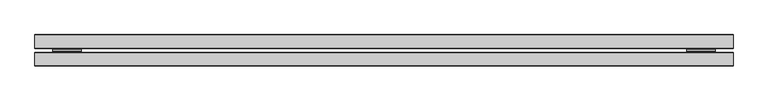
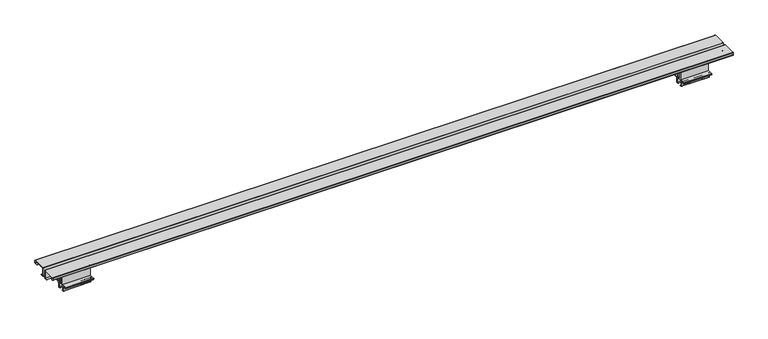
"""IFC4 building model written with IfcOpenShell, lengths in millimetres: furniture geometry."""

from ifc_helpers import new_model, si_unit, point, frame, frame_2d, origin, place, context, project, spatial, polyline, circle_curve, trimmed, segment, composite_curve, outline, extrude, source, transform, mapped, element, save
from ifc_brep_helpers import plane_surface, cylinder_surface, revolved_surface, advanced_brep


def furniture_e6be7e41(model_context):
    return source(origin(), model_context, "Body", "SolidModel", [
        extrude(outline(composite_curve([segment(polyline([(-46.1411741, 538.3021989), (-52.5216442, 538.3021989), (-52.5216442, 539.0895989), (-46.1411741, 539.0895989)]), True, "CONTINUOUS"), segment(trimmed(circle_curve(frame_2d((-46.1411741, 537.4436715)), 1.6459275), [point((-46.1411741, 539.0895989))], [point((-44.4952466, 537.4436715))], False, "CARTESIAN"), True, "CONTINUOUS"), segment(polyline([(-44.4952466, 537.4436715), (-44.4952466, 533.2176187), (-42.3108667, 528.4931667), (-42.3108667, 512.3434001), (-35.9226813, 512.3434001), (-35.9226813, 528.4931667), (-33.7383014, 533.2176187), (-33.7383014, 537.4436715)]), True, "CONTINUOUS"), segment(trimmed(circle_curve(frame_2d((-32.0923739, 537.4436715)), 1.6459275), [point((-33.7383014, 537.4436715))], [point((-32.0923739, 539.0895989))], False, "CARTESIAN"), True, "CONTINUOUS"), segment(polyline([(-32.0923739, 539.0895989), (-25.7119037, 539.0895989), (-25.7119037, 538.3021989), (-32.0923739, 538.3021989)]), True, "CONTINUOUS"), segment(trimmed(circle_curve(frame_2d((-32.0923739, 537.4436715)), 0.8585275), [point((-32.0923739, 538.3021989))], [point((-32.9509014, 537.4436715))], True, "CARTESIAN"), True, "CONTINUOUS"), segment(polyline([(-32.9509014, 537.4436715), (-32.9509014, 511.3273965), (-45.2826466, 511.3273965), (-45.2826466, 537.4436715)]), True, "CONTINUOUS"), segment(trimmed(circle_curve(frame_2d((-46.1411741, 537.4436715)), 0.8585275), [point((-45.2826466, 537.4436715))], [point((-46.1411741, 538.3021989))], True, "CARTESIAN"), True, "CONTINUOUS")], self_intersect=False)), frame((1565.1479964, 0.0, 0.0), z_axis=(1.0, 0.0, 0.0), x_axis=(0.0, 1.0, 0.0)), (0.0, 0.0, 1.0), 68.5800073),
        advanced_brep(
        [(1633.7280036, -43.8856479, 496.239798), (1633.7280036, -43.8856479, 497.027198), (1633.7280036, -47.4162484, 497.027198), (1633.7280036, -47.4162484, 505.0211433), (1633.7280036, -48.2566383, 506.4767378), (1633.7280036, -49.1307467, 506.9814021), (1633.7280036, -49.1307467, 508.9672048), (1633.7280036, -50.5257409, 510.3621989), (1633.7280036, -56.9931108, 510.3621989), (1633.7280036, -57.8998062, 509.5458068), (1633.7280036, -58.5922468, 510.5347145), (1633.7280036, -58.5922468, 511.3273965), (1633.7280036, -19.6540457, 511.3273965), (1633.7280036, -19.6540457, 510.5165135), (1633.7280036, -20.3337418, 509.5458068), (1633.7280036, -21.2404371, 510.3621989), (1633.7280036, -27.8273525, 510.3621989), (1633.7280036, -29.1155469, 509.0740045), (1633.7280036, -29.1155469, 506.9814021), (1633.7280036, -30.0322406, 506.4521513), (1633.7280036, -30.8300452, 505.0703165), (1633.7280036, -30.8300452, 497.027198), (1633.7280036, -34.3606457, 497.027198), (1633.7280036, -34.3606457, 496.239798), (1633.7280036, -30.560857, 496.239798), (1633.7280036, -30.0426452, 496.7580098), (1633.7280036, -30.0426452, 505.0703165), (1633.7280036, -29.6385421, 505.770242), (1633.7280036, -28.7038003, 506.3099128), (1633.7280036, -28.3281469, 506.9605621), (1633.7280036, -28.3281469, 509.0740045), (1633.7280036, -27.8273525, 509.5747989), (1633.7280036, -21.5426917, 509.5747989), (1633.7280036, -20.7678586, 508.8771361), (1633.7280036, -19.8407122, 508.8771361), (1633.7280036, -18.8666457, 510.2682472), (1633.7280036, -18.8666457, 511.6155121), (1633.7280036, -19.36593, 512.1147965), (1633.7280036, -58.8676179, 512.1147965), (1633.7280036, -59.3796468, 511.6027676), (1633.7280036, -59.3796468, 510.2864482), (1633.7280036, -58.3928358, 508.8771361), (1633.7280036, -57.4656894, 508.8771361), (1633.7280036, -56.6908563, 509.5747989), (1633.7280036, -50.5257409, 509.5747989), (1633.7280036, -49.9181467, 508.9672048), (1633.7280036, -49.9181467, 506.9991546), (1633.7280036, -49.5090711, 506.2906166), (1633.7280036, -48.6503368, 505.7948285), (1633.7280036, -48.2036484, 505.0211433), (1633.7280036, -48.2036484, 496.6207976), (1633.7280036, -47.672691, 496.239798), (1565.1479964, -43.8856479, 496.239798), (1565.1479964, -47.672691, 496.239798), (1565.1479964, -48.1909027, 496.7580098), (1565.1479964, -48.2036484, 505.0211433), (1565.1479964, -48.6503368, 505.7948285), (1565.1479964, -49.5090711, 506.2906166), (1565.1479964, -49.9181467, 506.9991546), (1565.1479964, -49.9181467, 508.9672048), (1565.1479964, -50.5257409, 509.5747989), (1565.1479964, -56.6908563, 509.5747989), (1565.1479964, -57.4656894, 508.8771361), (1565.1479964, -58.3928358, 508.8771361), (1565.1479964, -59.3796468, 510.2864482), (1565.1479964, -59.3796468, 511.6027676), (1565.1479964, -58.8676179, 512.1147965), (1565.1479964, -19.36593, 512.1147965), (1565.1479964, -18.8666457, 511.6155121), (1565.1479964, -18.8666457, 510.2682472), (1565.1479964, -19.8407122, 508.8771361), (1565.1479964, -20.7678586, 508.8771361), (1565.1479964, -21.5426917, 509.5747989), (1565.1479964, -27.8273525, 509.5747989), (1565.1479964, -28.3281469, 509.0740045), (1565.1479964, -28.3281469, 506.9605621), (1565.1479964, -28.7038003, 506.3099128), (1565.1479964, -29.6385421, 505.770242), (1565.1479964, -30.0426452, 505.0703165), (1565.1479964, -30.0426452, 496.7580098), (1565.1479964, -30.560857, 496.239798), (1565.1479964, -34.3606457, 496.239798), (1565.1479964, -34.3606457, 497.027198), (1565.1479964, -30.8300452, 497.027198), (1565.1479964, -30.8300452, 505.0703165), (1565.1479964, -30.0322406, 506.4521513), (1565.1479964, -29.1155469, 506.9814021), (1565.1479964, -29.1155469, 509.0740045), (1565.1479964, -27.8273525, 510.3621989), (1565.1479964, -21.2404371, 510.3621989), (1565.1479964, -20.3337418, 509.5458068), (1565.1479964, -19.6540457, 510.5165135), (1565.1479964, -19.6540457, 511.3273965), (1565.1479964, -58.5922468, 511.3273965), (1565.1479964, -58.5922468, 510.5347145), (1565.1479964, -57.8998062, 509.5458068), (1565.1479964, -56.9931108, 510.3621989), (1565.1479964, -50.5257409, 510.3621989), (1565.1479964, -49.1307467, 508.9672048), (1565.1479964, -49.1307467, 506.9814021), (1565.1479964, -48.2566383, 506.4767378), (1565.1479964, -47.4162484, 505.0211433), (1565.1479964, -47.4162484, 497.027198), (1565.1479964, -43.8856479, 497.027198)],
        [
            (0, 1),
            (1, 2),
            (2, 3),
            (3, 4, circle_curve(frame((1633.7280036, -49.097022, 505.0211433), z_axis=(1.0, 0.0, 0.0), x_axis=(0.0, 1.0, 0.0)), 1.6807736)),
            (4, 5),
            (5, 6),
            (6, 7, circle_curve(frame((1633.7280036, -50.5257409, 508.9672048), z_axis=(1.0, 0.0, 0.0), x_axis=(0.0, 1.0, 0.0)), 1.3949941)),
            (7, 8),
            (8, 9),
            (9, 10),
            (10, 11),
            (11, 12),
            (12, 13),
            (13, 14),
            (14, 15),
            (15, 16),
            (16, 17, circle_curve(frame((1633.7280036, -27.8273525, 509.0740045), z_axis=(1.0, 0.0, 0.0), x_axis=(0.0, 1.0, 0.0)), 1.2881944)),
            (17, 18),
            (18, 19),
            (19, 20, circle_curve(frame((1633.7280036, -29.2344419, 505.0703165), z_axis=(1.0, 0.0, 0.0), x_axis=(0.0, 1.0, 0.0)), 1.5956034)),
            (20, 21),
            (21, 22),
            (22, 23),
            (23, 24),
            (24, 25, circle_curve(frame((1633.7280036, -30.560857, 496.7580098), z_axis=(1.0, 0.0, 0.0), x_axis=(0.0, 1.0, 0.0)), 0.5182118)),
            (25, 26),
            (26, 27, circle_curve(frame((1633.7280036, -29.2344419, 505.0703165), z_axis=(-1.0, 0.0, 0.0), x_axis=(0.0, 1.0, 0.0)), 0.8082034)),
            (27, 28),
            (28, 29, circle_curve(frame((1633.7280036, -29.079451, 506.9605621), z_axis=(1.0, 0.0, 0.0), x_axis=(0.0, 1.0, 0.0)), 0.7513042)),
            (29, 30),
            (30, 31, circle_curve(frame((1633.7280036, -27.8273525, 509.0740045), z_axis=(-1.0, 0.0, 0.0), x_axis=(0.0, 1.0, 0.0)), 0.5007944)),
            (31, 32),
            (32, 33),
            (33, 34),
            (34, 35),
            (35, 36),
            (36, 37, circle_curve(frame((1633.7280036, -19.36593, 511.6155121), z_axis=(1.0, 0.0, 0.0), x_axis=(0.0, 1.0, 0.0)), 0.4992844)),
            (37, 38),
            (38, 39, circle_curve(frame((1633.7280036, -58.8676179, 511.6027676), z_axis=(1.0, 0.0, 0.0), x_axis=(0.0, 1.0, 0.0)), 0.5120288)),
            (39, 40),
            (40, 41),
            (41, 42),
            (42, 43),
            (43, 44),
            (44, 45, circle_curve(frame((1633.7280036, -50.5257409, 508.9672048), z_axis=(-1.0, 0.0, 0.0), x_axis=(0.0, 1.0, 0.0)), 0.6075941)),
            (45, 46),
            (46, 47, circle_curve(frame((1633.7280036, -49.0999985, 506.9991546), z_axis=(1.0, 0.0, 0.0), x_axis=(0.0, 1.0, 0.0)), 0.8181482)),
            (47, 48),
            (48, 49, circle_curve(frame((1633.7280036, -49.097022, 505.0211433), z_axis=(-1.0, 0.0, 0.0), x_axis=(0.0, 1.0, 0.0)), 0.8933736)),
            (49, 50),
            (50, 51, circle_curve(frame((1633.7280036, -47.672691, 496.7580098), z_axis=(1.0, 0.0, 0.0), x_axis=(0.0, 1.0, 0.0)), 0.5182118)),
            (51, 0),
            (52, 53),
            (53, 54, circle_curve(frame((1565.1479964, -47.672691, 496.7580098), z_axis=(-1.0, 0.0, 0.0), x_axis=(0.0, 1.0, 0.0)), 0.5182118)),
            (54, 55),
            (55, 56, circle_curve(frame((1565.1479964, -49.097022, 505.0211433), z_axis=(1.0, 0.0, 0.0), x_axis=(0.0, 1.0, 0.0)), 0.8933736)),
            (56, 57),
            (57, 58, circle_curve(frame((1565.1479964, -49.0999985, 506.9991546), z_axis=(-1.0, 0.0, 0.0), x_axis=(0.0, 1.0, 0.0)), 0.8181482)),
            (58, 59),
            (59, 60, circle_curve(frame((1565.1479964, -50.5257409, 508.9672048), z_axis=(1.0, 0.0, 0.0), x_axis=(0.0, 1.0, 0.0)), 0.6075941)),
            (60, 61),
            (61, 62),
            (62, 63),
            (63, 64),
            (64, 65),
            (65, 66, circle_curve(frame((1565.1479964, -58.8676179, 511.6027676), z_axis=(-1.0, 0.0, 0.0), x_axis=(0.0, 1.0, 0.0)), 0.5120288)),
            (66, 67),
            (67, 68, circle_curve(frame((1565.1479964, -19.36593, 511.6155121), z_axis=(-1.0, 0.0, 0.0), x_axis=(0.0, 1.0, 0.0)), 0.4992844)),
            (68, 69),
            (69, 70),
            (70, 71),
            (71, 72),
            (72, 73),
            (73, 74, circle_curve(frame((1565.1479964, -27.8273525, 509.0740045), z_axis=(1.0, 0.0, 0.0), x_axis=(0.0, 1.0, 0.0)), 0.5007944)),
            (74, 75),
            (75, 76, circle_curve(frame((1565.1479964, -29.079451, 506.9605621), z_axis=(-1.0, 0.0, 0.0), x_axis=(0.0, 1.0, 0.0)), 0.7513042)),
            (76, 77),
            (77, 78, circle_curve(frame((1565.1479964, -29.2344419, 505.0703165), z_axis=(1.0, 0.0, 0.0), x_axis=(0.0, 1.0, 0.0)), 0.8082034)),
            (78, 79),
            (79, 80, circle_curve(frame((1565.1479964, -30.560857, 496.7580098), z_axis=(-1.0, 0.0, 0.0), x_axis=(0.0, 1.0, 0.0)), 0.5182118)),
            (80, 81),
            (81, 82),
            (82, 83),
            (83, 84),
            (84, 85, circle_curve(frame((1565.1479964, -29.2344419, 505.0703165), z_axis=(-1.0, 0.0, 0.0), x_axis=(0.0, 1.0, 0.0)), 1.5956034)),
            (85, 86),
            (86, 87),
            (87, 88, circle_curve(frame((1565.1479964, -27.8273525, 509.0740045), z_axis=(-1.0, 0.0, 0.0), x_axis=(0.0, 1.0, 0.0)), 1.2881944)),
            (88, 89),
            (89, 90),
            (90, 91),
            (91, 92),
            (92, 93),
            (93, 94),
            (94, 95),
            (95, 96),
            (96, 97),
            (97, 98, circle_curve(frame((1565.1479964, -50.5257409, 508.9672048), z_axis=(-1.0, 0.0, 0.0), x_axis=(0.0, 1.0, 0.0)), 1.3949941)),
            (98, 99),
            (99, 100),
            (100, 101, circle_curve(frame((1565.1479964, -49.097022, 505.0211433), z_axis=(-1.0, 0.0, 0.0), x_axis=(0.0, 1.0, 0.0)), 1.6807736)),
            (101, 102),
            (102, 103),
            (103, 52),
            (51, 53),
            (52, 0),
            (50, 54),
            (49, 55),
            (48, 56),
            (47, 57),
            (46, 58),
            (45, 59),
            (44, 60),
            (43, 61),
            (42, 62),
            (41, 63),
            (40, 64),
            (39, 65),
            (38, 66),
            (37, 67),
            (36, 68),
            (35, 69),
            (34, 70),
            (33, 71),
            (32, 72),
            (31, 73),
            (30, 74),
            (29, 75),
            (28, 76),
            (27, 77),
            (26, 78),
            (25, 79),
            (24, 80),
            (23, 81),
            (22, 82),
            (21, 83),
            (20, 84),
            (19, 85),
            (18, 86),
            (17, 87),
            (16, 88),
            (15, 89),
            (14, 90),
            (13, 91),
            (12, 92),
            (11, 93),
            (10, 94),
            (9, 95),
            (8, 96),
            (7, 97),
            (6, 98),
            (5, 99),
            (4, 100),
            (3, 101),
            (2, 102),
            (1, 103),
        ],
        [
            plane_surface(frame((1633.7280036, -39.1358447, 473.81159), z_axis=(1.0, 0.0, 0.0), x_axis=(0.0, 0.0, 1.0))),
            plane_surface(frame((1565.1479964, -39.1358447, 473.81159), z_axis=(-1.0, 0.0, 0.0), x_axis=(0.0, 0.0, 1.0))),
            plane_surface(frame((1633.7280036, -43.8856479, 496.239798), z_axis=(0.0, 0.0, -1.0), x_axis=(-1.0, 0.0, 0.0))),
            cylinder_surface(frame((1633.7280036, -47.672691, 496.7580098), z_axis=(1.0, 0.0, 0.0), x_axis=(0.0, 1.0, 0.0)), 0.5182118),
            plane_surface(frame((1633.7280036, -48.2036484, 496.6207976), z_axis=(0.0, -1.0, 0.0), x_axis=(-1.0, 0.0, 0.0))),
            revolved_surface(polyline([(1565.1479964, -48.203648400000006, 505.0211433), (1633.7280036, -48.203648400000006, 505.0211433)]), (1633.7280036, -49.097022, 505.0211433), (-1.0, 0.0, 0.0)),
            plane_surface(frame((1633.7280036, -48.6503368, 505.7948285), z_axis=(0.0, -0.49999817066287033, -0.8660264599501468), x_axis=(-1.0, 0.0, 0.0))),
            cylinder_surface(frame((1633.7280036, -49.0999985, 506.9991546), z_axis=(1.0, 0.0, 0.0), x_axis=(0.0, 1.0, 0.0)), 0.8181482),
            plane_surface(frame((1633.7280036, -49.9181467, 506.9991546), z_axis=(0.0, -1.0, 0.0), x_axis=(-1.0, 0.0, 0.0))),
            revolved_surface(polyline([(1565.1479964, -49.9181468, 508.9672048), (1633.7280036, -49.9181468, 508.9672048)]), (1633.7280036, -50.5257409, 508.9672048), (-1.0, 0.0, 0.0)),
            plane_surface(frame((1633.7280036, -50.5257409, 509.5747989), z_axis=(0.0, 0.0, -1.0), x_axis=(-1.0, 0.0, 0.0))),
            plane_surface(frame((1633.7280036, -56.6908563, 509.5747989), z_axis=(0.0, 0.6691306063588597, -0.743144825477393), x_axis=(-1.0, 0.0, 0.0))),
            plane_surface(frame((1633.7280036, -57.4656894, 508.8771361), z_axis=(0.0, 0.0, -1.0), x_axis=(-1.0, 0.0, 0.0))),
            plane_surface(frame((1633.7280036, -58.3928358, 508.8771361), z_axis=(0.0, -0.8191520442889919, -0.5735764363510462), x_axis=(-1.0, 0.0, 0.0))),
            plane_surface(frame((1633.7280036, -59.3796468, 510.2864482), z_axis=(0.0, -1.0, 0.0), x_axis=(-1.0, 0.0, 0.0))),
            cylinder_surface(frame((1633.7280036, -58.8676179, 511.6027676), z_axis=(1.0, 0.0, 0.0), x_axis=(0.0, 1.0, 0.0)), 0.5120288),
            plane_surface(frame((1633.7280036, -58.8676179, 512.1147965), z_axis=(0.0, 0.0, 1.0), x_axis=(-1.0, 0.0, 0.0))),
            cylinder_surface(frame((1633.7280036, -19.36593, 511.6155121), z_axis=(1.0, 0.0, 0.0), x_axis=(0.0, 1.0, 0.0)), 0.4992844),
            plane_surface(frame((1633.7280036, -18.8666457, 511.6155121), z_axis=(0.0, 1.0, 0.0), x_axis=(-1.0, 0.0, 0.0))),
            plane_surface(frame((1633.7280036, -18.8666457, 510.2682472), z_axis=(0.0, 0.8191520442889919, -0.5735764363510462), x_axis=(-1.0, 0.0, 0.0))),
            plane_surface(frame((1633.7280036, -19.8407122, 508.8771361), z_axis=(0.0, 0.0, -1.0), x_axis=(-1.0, 0.0, 0.0))),
            plane_surface(frame((1633.7280036, -20.7678586, 508.8771361), z_axis=(0.0, -0.6691306063588597, -0.743144825477393), x_axis=(-1.0, 0.0, 0.0))),
            plane_surface(frame((1633.7280036, -21.5426917, 509.5747989), z_axis=(0.0, 0.0, -1.0), x_axis=(-1.0, 0.0, 0.0))),
            revolved_surface(polyline([(1565.1479964, -27.3265581, 509.0740045), (1633.7280036, -27.3265581, 509.0740045)]), (1633.7280036, -27.8273525, 509.0740045), (-1.0, 0.0, 0.0)),
            plane_surface(frame((1633.7280036, -28.3281469, 509.0740045), z_axis=(0.0, 1.0, 0.0), x_axis=(-1.0, 0.0, 0.0))),
            cylinder_surface(frame((1633.7280036, -29.079451, 506.9605621), z_axis=(1.0, 0.0, 0.0), x_axis=(0.0, 1.0, 0.0)), 0.7513042),
            plane_surface(frame((1633.7280036, -28.7038003, 506.3099128), z_axis=(0.0, 0.49999817066287033, -0.8660264599501468), x_axis=(-1.0, 0.0, 0.0))),
            revolved_surface(polyline([(1565.1479964, -28.4262385, 505.0703165), (1633.7280036, -28.4262385, 505.0703165)]), (1633.7280036, -29.2344419, 505.0703165), (-1.0, 0.0, 0.0)),
            plane_surface(frame((1633.7280036, -30.0426452, 505.0703165), z_axis=(0.0, 1.0, 0.0), x_axis=(-1.0, 0.0, 0.0))),
            cylinder_surface(frame((1633.7280036, -30.560857, 496.7580098), z_axis=(1.0, 0.0, 0.0), x_axis=(0.0, 1.0, 0.0)), 0.5182118),
            plane_surface(frame((1633.7280036, -30.560857, 496.239798), z_axis=(0.0, 0.0, -1.0), x_axis=(-1.0, 0.0, 0.0))),
            plane_surface(frame((1633.7280036, -34.3606457, 496.239798), z_axis=(0.0, -1.0, 0.0), x_axis=(-1.0, 0.0, 0.0))),
            plane_surface(frame((1633.7280036, -34.3606457, 497.027198), z_axis=(0.0, 0.0, 1.0), x_axis=(-1.0, 0.0, 0.0))),
            plane_surface(frame((1633.7280036, -30.8300452, 497.027198), z_axis=(0.0, -1.0, 0.0), x_axis=(-1.0, 0.0, 0.0))),
            cylinder_surface(frame((1633.7280036, -29.2344419, 505.0703165), z_axis=(1.0, 0.0, 0.0), x_axis=(0.0, 1.0, 0.0)), 1.5956034),
            plane_surface(frame((1633.7280036, -30.0322406, 506.4521513), z_axis=(0.0, -0.4999981706628693, 0.8660264599501475), x_axis=(-1.0, 0.0, 0.0))),
            plane_surface(frame((1633.7280036, -29.1155469, 506.9814021), z_axis=(0.0, -1.0, 0.0), x_axis=(-1.0, 0.0, 0.0))),
            cylinder_surface(frame((1633.7280036, -27.8273525, 509.0740045), z_axis=(1.0, 0.0, 0.0), x_axis=(0.0, 1.0, 0.0)), 1.2881944),
            plane_surface(frame((1633.7280036, -27.8273525, 510.3621989), z_axis=(0.0, 0.0, 1.0), x_axis=(-1.0, 0.0, 0.0))),
            plane_surface(frame((1633.7280036, -21.2404371, 510.3621989), z_axis=(0.0, 0.6691306063588597, 0.743144825477393), x_axis=(-1.0, 0.0, 0.0))),
            plane_surface(frame((1633.7280036, -20.3337418, 509.5458068), z_axis=(0.0, -0.819152044288992, 0.5735764363510457), x_axis=(-1.0, 0.0, 0.0))),
            plane_surface(frame((1633.7280036, -19.6540457, 510.5165135), z_axis=(0.0, -1.0, 0.0), x_axis=(-1.0, 0.0, 0.0))),
            plane_surface(frame((1633.7280036, -19.6540457, 511.3273965), z_axis=(0.0, 0.0, -1.0), x_axis=(-1.0, 0.0, 0.0))),
            plane_surface(frame((1633.7280036, -58.5922468, 511.3273965), z_axis=(0.0, 1.0, 0.0), x_axis=(-1.0, 0.0, 0.0))),
            plane_surface(frame((1633.7280036, -58.5922468, 510.5347145), z_axis=(0.0, 0.8191520442889909, 0.5735764363510474), x_axis=(-1.0, 0.0, 0.0))),
            plane_surface(frame((1633.7280036, -57.8998062, 509.5458068), z_axis=(0.0, -0.6691306063588597, 0.743144825477393), x_axis=(-1.0, 0.0, 0.0))),
            plane_surface(frame((1633.7280036, -56.9931108, 510.3621989), z_axis=(0.0, 0.0, 1.0), x_axis=(-1.0, 0.0, 0.0))),
            cylinder_surface(frame((1633.7280036, -50.5257409, 508.9672048), z_axis=(1.0, 0.0, 0.0), x_axis=(0.0, 1.0, 0.0)), 1.3949941),
            plane_surface(frame((1633.7280036, -49.1307467, 508.9672048), z_axis=(0.0, 1.0, 0.0), x_axis=(-1.0, 0.0, 0.0))),
            plane_surface(frame((1633.7280036, -49.1307467, 506.9814021), z_axis=(0.0, 0.49999817066287294, 0.8660264599501454), x_axis=(-1.0, 0.0, 0.0))),
            cylinder_surface(frame((1633.7280036, -49.097022, 505.0211433), z_axis=(1.0, 0.0, 0.0), x_axis=(0.0, 1.0, 0.0)), 1.6807736),
            plane_surface(frame((1633.7280036, -47.4162484, 505.0211433), z_axis=(0.0, 1.0, 0.0), x_axis=(-1.0, 0.0, 0.0))),
            plane_surface(frame((1633.7280036, -47.4162484, 497.027198), z_axis=(0.0, 0.0, 1.0), x_axis=(-1.0, 0.0, 0.0))),
            plane_surface(frame((1633.7280036, -43.8856479, 497.027198), z_axis=(0.0, 1.0, 0.0), x_axis=(-1.0, 0.0, 0.0))),
        ],
        [
            (0, [[1, 2, 3, 4, 5, 6, 7, 8, 9, 10, 11, 12, 13, 14, 15, 16, 17, 18, 19, 20, 21, 22, 23, 24, 25, 26, 27, 28, 29, 30, 31, 32, 33, 34, 35, 36, 37, 38, 39, 40, 41, 42, 43, 44, 45, 46, 47, 48, 49, 50, 51, 52]]),
            (1, [[53, 54, 55, 56, 57, 58, 59, 60, 61, 62, 63, 64, 65, 66, 67, 68, 69, 70, 71, 72, 73, 74, 75, 76, 77, 78, 79, 80, 81, 82, 83, 84, 85, 86, 87, 88, 89, 90, 91, 92, 93, 94, 95, 96, 97, 98, 99, 100, 101, 102, 103, 104]]),
            (2, [[105, -53, 106, -52]]),
            (3, [[107, -54, -105, -51]]),
            (4, [[108, -55, -107, -50]]),
            (5, [[109, -56, -108, -49]]),
            (6, [[110, -57, -109, -48]]),
            (7, [[111, -58, -110, -47]]),
            (8, [[112, -59, -111, -46]]),
            (9, [[113, -60, -112, -45]]),
            (10, [[114, -61, -113, -44]]),
            (11, [[115, -62, -114, -43]]),
            (12, [[116, -63, -115, -42]]),
            (13, [[117, -64, -116, -41]]),
            (14, [[118, -65, -117, -40]]),
            (15, [[119, -66, -118, -39]]),
            (16, [[120, -67, -119, -38]]),
            (17, [[121, -68, -120, -37]]),
            (18, [[122, -69, -121, -36]]),
            (19, [[123, -70, -122, -35]]),
            (20, [[124, -71, -123, -34]]),
            (21, [[125, -72, -124, -33]]),
            (22, [[126, -73, -125, -32]]),
            (23, [[127, -74, -126, -31]]),
            (24, [[128, -75, -127, -30]]),
            (25, [[129, -76, -128, -29]]),
            (26, [[130, -77, -129, -28]]),
            (27, [[131, -78, -130, -27]]),
            (28, [[132, -79, -131, -26]]),
            (29, [[133, -80, -132, -25]]),
            (30, [[134, -81, -133, -24]]),
            (31, [[135, -82, -134, -23]]),
            (32, [[136, -83, -135, -22]]),
            (33, [[137, -84, -136, -21]]),
            (34, [[138, -85, -137, -20]]),
            (35, [[139, -86, -138, -19]]),
            (36, [[140, -87, -139, -18]]),
            (37, [[141, -88, -140, -17]]),
            (38, [[142, -89, -141, -16]]),
            (39, [[143, -90, -142, -15]]),
            (40, [[144, -91, -143, -14]]),
            (41, [[145, -92, -144, -13]]),
            (42, [[146, -93, -145, -12]]),
            (43, [[147, -94, -146, -11]]),
            (44, [[148, -95, -147, -10]]),
            (45, [[149, -96, -148, -9]]),
            (46, [[150, -97, -149, -8]]),
            (47, [[151, -98, -150, -7]]),
            (48, [[152, -99, -151, -6]]),
            (49, [[153, -100, -152, -5]]),
            (50, [[154, -101, -153, -4]]),
            (51, [[155, -102, -154, -3]]),
            (52, [[156, -103, -155, -2]]),
            (53, [[-106, -104, -156, -1]]),
        ],
    ),
        extrude(outline(composite_curve([segment(polyline([(-46.1411741, 538.3021989), (-52.5216442, 538.3021989), (-52.5216442, 539.0895989), (-46.1411741, 539.0895989)]), True, "CONTINUOUS"), segment(trimmed(circle_curve(frame_2d((-46.1411741, 537.4436715)), 1.6459275), [point((-46.1411741, 539.0895989))], [point((-44.4952466, 537.4436715))], False, "CARTESIAN"), True, "CONTINUOUS"), segment(polyline([(-44.4952466, 537.4436715), (-44.4952466, 533.2176187), (-42.3108667, 528.4931667), (-42.3108667, 512.3434001), (-35.9226813, 512.3434001), (-35.9226813, 528.4931667), (-33.7383014, 533.2176187), (-33.7383014, 537.4436715)]), True, "CONTINUOUS"), segment(trimmed(circle_curve(frame_2d((-32.0923739, 537.4436715)), 1.6459275), [point((-33.7383014, 537.4436715))], [point((-32.0923739, 539.0895989))], False, "CARTESIAN"), True, "CONTINUOUS"), segment(polyline([(-32.0923739, 539.0895989), (-25.7119037, 539.0895989), (-25.7119037, 538.3021989), (-32.0923739, 538.3021989)]), True, "CONTINUOUS"), segment(trimmed(circle_curve(frame_2d((-32.0923739, 537.4436715)), 0.8585275), [point((-32.0923739, 538.3021989))], [point((-32.9509014, 537.4436715))], True, "CARTESIAN"), True, "CONTINUOUS"), segment(polyline([(-32.9509014, 537.4436715), (-32.9509014, 511.3273965), (-45.2826466, 511.3273965), (-45.2826466, 537.4436715)]), True, "CONTINUOUS"), segment(trimmed(circle_curve(frame_2d((-46.1411741, 537.4436715)), 0.8585275), [point((-45.2826466, 537.4436715))], [point((-46.1411741, 538.3021989))], True, "CARTESIAN"), True, "CONTINUOUS")], self_intersect=False)), frame((42.6719964, 0.0, 0.0), z_axis=(1.0, 0.0, 0.0), x_axis=(0.0, 1.0, 0.0)), (0.0, 0.0, 1.0), 68.5800073),
        advanced_brep(
        [(42.6719964, -43.8856479, 496.239798), (42.6719964, -47.672691, 496.239798), (42.6719964, -48.1909027, 496.7580098), (42.6719964, -48.2036484, 505.0211433), (42.6719964, -48.6503368, 505.7948285), (42.6719964, -49.5090711, 506.2906166), (42.6719964, -49.9181467, 506.9991546), (42.6719964, -49.9181467, 508.9672048), (42.6719964, -50.5257409, 509.5747989), (42.6719964, -56.6908563, 509.5747989), (42.6719964, -57.4656894, 508.8771361), (42.6719964, -58.3928358, 508.8771361), (42.6719964, -59.3796468, 510.2864482), (42.6719964, -59.3796468, 511.6027676), (42.6719964, -58.8676179, 512.1147965), (42.6719964, -19.36593, 512.1147965), (42.6719964, -18.8666457, 511.6155121), (42.6719964, -18.8666457, 510.2682472), (42.6719964, -19.8407122, 508.8771361), (42.6719964, -20.7678586, 508.8771361), (42.6719964, -21.5426917, 509.5747989), (42.6719964, -27.8273525, 509.5747989), (42.6719964, -28.3281469, 509.0740045), (42.6719964, -28.3281469, 506.9605621), (42.6719964, -28.7038003, 506.3099128), (42.6719964, -29.6385421, 505.770242), (42.6719964, -30.0426452, 505.0703165), (42.6719964, -30.0426452, 496.7580098), (42.6719964, -30.560857, 496.239798), (42.6719964, -34.3606457, 496.239798), (42.6719964, -34.3606457, 497.027198), (42.6719964, -30.8300452, 497.027198), (42.6719964, -30.8300452, 505.0703165), (42.6719964, -30.0322406, 506.4521513), (42.6719964, -29.1155469, 506.9814021), (42.6719964, -29.1155469, 509.0740045), (42.6719964, -27.8273525, 510.3621989), (42.6719964, -21.2404371, 510.3621989), (42.6719964, -20.3337418, 509.5458068), (42.6719964, -19.6540457, 510.5165135), (42.6719964, -19.6540457, 511.3273965), (42.6719964, -58.5922468, 511.3273965), (42.6719964, -58.5922468, 510.5347145), (42.6719964, -57.8998062, 509.5458068), (42.6719964, -56.9931108, 510.3621989), (42.6719964, -50.5257409, 510.3621989), (42.6719964, -49.1307467, 508.9672048), (42.6719964, -49.1307467, 506.9814021), (42.6719964, -48.2566383, 506.4767378), (42.6719964, -47.4162484, 505.0211433), (42.6719964, -47.4162484, 497.027198), (42.6719964, -43.8856479, 497.027198), (111.2520036, -43.8856479, 496.239798), (111.2520036, -43.8856479, 497.027198), (111.2520036, -47.4162484, 497.027198), (111.2520036, -47.4162484, 505.0211433), (111.2520036, -48.2566383, 506.4767378), (111.2520036, -49.1307467, 506.9814021), (111.2520036, -49.1307467, 508.9672048), (111.2520036, -50.5257409, 510.3621989), (111.2520036, -56.9931108, 510.3621989), (111.2520036, -57.8998062, 509.5458068), (111.2520036, -58.5922468, 510.5347145), (111.2520036, -58.5922468, 511.3273965), (111.2520036, -19.6540457, 511.3273965), (111.2520036, -19.6540457, 510.5165135), (111.2520036, -20.3337418, 509.5458068), (111.2520036, -21.2404371, 510.3621989), (111.2520036, -27.8273525, 510.3621989), (111.2520036, -29.1155469, 509.0740045), (111.2520036, -29.1155469, 506.9814021), (111.2520036, -30.0322406, 506.4521513), (111.2520036, -30.8300452, 505.0703165), (111.2520036, -30.8300452, 497.027198), (111.2520036, -34.3606457, 497.027198), (111.2520036, -34.3606457, 496.239798), (111.2520036, -30.560857, 496.239798), (111.2520036, -30.0426452, 496.7580098), (111.2520036, -30.0426452, 505.0703165), (111.2520036, -29.6385421, 505.770242), (111.2520036, -28.7038003, 506.3099128), (111.2520036, -28.3281469, 506.9605621), (111.2520036, -28.3281469, 509.0740045), (111.2520036, -27.8273525, 509.5747989), (111.2520036, -21.5426917, 509.5747989), (111.2520036, -20.7678586, 508.8771361), (111.2520036, -19.8407122, 508.8771361), (111.2520036, -18.8666457, 510.2682472), (111.2520036, -18.8666457, 511.6155121), (111.2520036, -19.36593, 512.1147965), (111.2520036, -58.8676179, 512.1147965), (111.2520036, -59.3796468, 511.6027676), (111.2520036, -59.3796468, 510.2864482), (111.2520036, -58.3928358, 508.8771361), (111.2520036, -57.4656894, 508.8771361), (111.2520036, -56.6908563, 509.5747989), (111.2520036, -50.5257409, 509.5747989), (111.2520036, -49.9181467, 508.9672048), (111.2520036, -49.9181467, 506.9991546), (111.2520036, -49.5090711, 506.2906166), (111.2520036, -48.6503368, 505.7948285), (111.2520036, -48.2036484, 505.0211433), (111.2520036, -48.2036484, 496.6207976), (111.2520036, -47.672691, 496.239798)],
        [
            (0, 1),
            (1, 2, circle_curve(frame((42.6719964, -47.672691, 496.7580098), z_axis=(-1.0, 0.0, 0.0), x_axis=(0.0, 1.0, 0.0)), 0.5182118)),
            (2, 3),
            (3, 4, circle_curve(frame((42.6719964, -49.097022, 505.0211433), z_axis=(1.0, 0.0, 0.0), x_axis=(0.0, 1.0, 0.0)), 0.8933736)),
            (4, 5),
            (5, 6, circle_curve(frame((42.6719964, -49.0999985, 506.9991546), z_axis=(-1.0, 0.0, 0.0), x_axis=(0.0, 1.0, 0.0)), 0.8181482)),
            (6, 7),
            (7, 8, circle_curve(frame((42.6719964, -50.5257409, 508.9672048), z_axis=(1.0, 0.0, 0.0), x_axis=(0.0, 1.0, 0.0)), 0.6075941)),
            (8, 9),
            (9, 10),
            (10, 11),
            (11, 12),
            (12, 13),
            (13, 14, circle_curve(frame((42.6719964, -58.8676179, 511.6027676), z_axis=(-1.0, 0.0, 0.0), x_axis=(0.0, 1.0, 0.0)), 0.5120288)),
            (14, 15),
            (15, 16, circle_curve(frame((42.6719964, -19.36593, 511.6155121), z_axis=(-1.0, 0.0, 0.0), x_axis=(0.0, 1.0, 0.0)), 0.4992844)),
            (16, 17),
            (17, 18),
            (18, 19),
            (19, 20),
            (20, 21),
            (21, 22, circle_curve(frame((42.6719964, -27.8273525, 509.0740045), z_axis=(1.0, 0.0, 0.0), x_axis=(0.0, 1.0, 0.0)), 0.5007944)),
            (22, 23),
            (23, 24, circle_curve(frame((42.6719964, -29.079451, 506.9605621), z_axis=(-1.0, 0.0, 0.0), x_axis=(0.0, 1.0, 0.0)), 0.7513042)),
            (24, 25),
            (25, 26, circle_curve(frame((42.6719964, -29.2344419, 505.0703165), z_axis=(1.0, 0.0, 0.0), x_axis=(0.0, 1.0, 0.0)), 0.8082034)),
            (26, 27),
            (27, 28, circle_curve(frame((42.6719964, -30.560857, 496.7580098), z_axis=(-1.0, 0.0, 0.0), x_axis=(0.0, 1.0, 0.0)), 0.5182118)),
            (28, 29),
            (29, 30),
            (30, 31),
            (31, 32),
            (32, 33, circle_curve(frame((42.6719964, -29.2344419, 505.0703165), z_axis=(-1.0, 0.0, 0.0), x_axis=(0.0, 1.0, 0.0)), 1.5956034)),
            (33, 34),
            (34, 35),
            (35, 36, circle_curve(frame((42.6719964, -27.8273525, 509.0740045), z_axis=(-1.0, 0.0, 0.0), x_axis=(0.0, 1.0, 0.0)), 1.2881944)),
            (36, 37),
            (37, 38),
            (38, 39),
            (39, 40),
            (40, 41),
            (41, 42),
            (42, 43),
            (43, 44),
            (44, 45),
            (45, 46, circle_curve(frame((42.6719964, -50.5257409, 508.9672048), z_axis=(-1.0, 0.0, 0.0), x_axis=(0.0, 1.0, 0.0)), 1.3949941)),
            (46, 47),
            (47, 48),
            (48, 49, circle_curve(frame((42.6719964, -49.097022, 505.0211433), z_axis=(-1.0, 0.0, 0.0), x_axis=(0.0, 1.0, 0.0)), 1.6807736)),
            (49, 50),
            (50, 51),
            (51, 0),
            (52, 53),
            (53, 54),
            (54, 55),
            (55, 56, circle_curve(frame((111.2520036, -49.097022, 505.0211433), z_axis=(1.0, 0.0, 0.0), x_axis=(0.0, 1.0, 0.0)), 1.6807736)),
            (56, 57),
            (57, 58),
            (58, 59, circle_curve(frame((111.2520036, -50.5257409, 508.9672048), z_axis=(1.0, 0.0, 0.0), x_axis=(0.0, 1.0, 0.0)), 1.3949941)),
            (59, 60),
            (60, 61),
            (61, 62),
            (62, 63),
            (63, 64),
            (64, 65),
            (65, 66),
            (66, 67),
            (67, 68),
            (68, 69, circle_curve(frame((111.2520036, -27.8273525, 509.0740045), z_axis=(1.0, 0.0, 0.0), x_axis=(0.0, 1.0, 0.0)), 1.2881944)),
            (69, 70),
            (70, 71),
            (71, 72, circle_curve(frame((111.2520036, -29.2344419, 505.0703165), z_axis=(1.0, 0.0, 0.0), x_axis=(0.0, 1.0, 0.0)), 1.5956034)),
            (72, 73),
            (73, 74),
            (74, 75),
            (75, 76),
            (76, 77, circle_curve(frame((111.2520036, -30.560857, 496.7580098), z_axis=(1.0, 0.0, 0.0), x_axis=(0.0, 1.0, 0.0)), 0.5182118)),
            (77, 78),
            (78, 79, circle_curve(frame((111.2520036, -29.2344419, 505.0703165), z_axis=(-1.0, 0.0, 0.0), x_axis=(0.0, 1.0, 0.0)), 0.8082034)),
            (79, 80),
            (80, 81, circle_curve(frame((111.2520036, -29.079451, 506.9605621), z_axis=(1.0, 0.0, 0.0), x_axis=(0.0, 1.0, 0.0)), 0.7513042)),
            (81, 82),
            (82, 83, circle_curve(frame((111.2520036, -27.8273525, 509.0740045), z_axis=(-1.0, 0.0, 0.0), x_axis=(0.0, 1.0, 0.0)), 0.5007944)),
            (83, 84),
            (84, 85),
            (85, 86),
            (86, 87),
            (87, 88),
            (88, 89, circle_curve(frame((111.2520036, -19.36593, 511.6155121), z_axis=(1.0, 0.0, 0.0), x_axis=(0.0, 1.0, 0.0)), 0.4992844)),
            (89, 90),
            (90, 91, circle_curve(frame((111.2520036, -58.8676179, 511.6027676), z_axis=(1.0, 0.0, 0.0), x_axis=(0.0, 1.0, 0.0)), 0.5120288)),
            (91, 92),
            (92, 93),
            (93, 94),
            (94, 95),
            (95, 96),
            (96, 97, circle_curve(frame((111.2520036, -50.5257409, 508.9672048), z_axis=(-1.0, 0.0, 0.0), x_axis=(0.0, 1.0, 0.0)), 0.6075941)),
            (97, 98),
            (98, 99, circle_curve(frame((111.2520036, -49.0999985, 506.9991546), z_axis=(1.0, 0.0, 0.0), x_axis=(0.0, 1.0, 0.0)), 0.8181482)),
            (99, 100),
            (100, 101, circle_curve(frame((111.2520036, -49.097022, 505.0211433), z_axis=(-1.0, 0.0, 0.0), x_axis=(0.0, 1.0, 0.0)), 0.8933736)),
            (101, 102),
            (102, 103, circle_curve(frame((111.2520036, -47.672691, 496.7580098), z_axis=(1.0, 0.0, 0.0), x_axis=(0.0, 1.0, 0.0)), 0.5182118)),
            (103, 52),
            (0, 52),
            (103, 1),
            (102, 2),
            (101, 3),
            (100, 4),
            (99, 5),
            (98, 6),
            (97, 7),
            (96, 8),
            (95, 9),
            (94, 10),
            (93, 11),
            (92, 12),
            (91, 13),
            (90, 14),
            (89, 15),
            (88, 16),
            (87, 17),
            (86, 18),
            (85, 19),
            (84, 20),
            (83, 21),
            (82, 22),
            (81, 23),
            (80, 24),
            (79, 25),
            (78, 26),
            (77, 27),
            (76, 28),
            (75, 29),
            (74, 30),
            (73, 31),
            (72, 32),
            (71, 33),
            (70, 34),
            (69, 35),
            (68, 36),
            (67, 37),
            (66, 38),
            (65, 39),
            (64, 40),
            (63, 41),
            (62, 42),
            (61, 43),
            (60, 44),
            (59, 45),
            (58, 46),
            (57, 47),
            (56, 48),
            (55, 49),
            (54, 50),
            (53, 51),
        ],
        [
            plane_surface(frame((42.6719964, -39.1358447, 473.81159), z_axis=(-1.0, 0.0, 0.0), x_axis=(0.0, 0.0, 1.0))),
            plane_surface(frame((111.2520036, -39.1358447, 473.81159), z_axis=(1.0, 0.0, 0.0), x_axis=(0.0, 0.0, 1.0))),
            plane_surface(frame((42.6719964, -43.8856479, 496.239798), z_axis=(0.0, 0.0, -1.0), x_axis=(1.0, 0.0, 0.0))),
            cylinder_surface(frame((42.6719964, -47.672691, 496.7580098), z_axis=(-1.0, 0.0, 0.0), x_axis=(0.0, 1.0, 0.0)), 0.5182118),
            plane_surface(frame((42.6719964, -48.2036484, 496.6207976), z_axis=(0.0, -1.0, 0.0), x_axis=(1.0, 0.0, 0.0))),
            revolved_surface(polyline([(111.2520036, -48.203648400000006, 505.0211433), (42.6719964, -48.203648400000006, 505.0211433)]), (42.6719964, -49.097022, 505.0211433), (1.0, 0.0, 0.0)),
            plane_surface(frame((42.6719964, -48.6503368, 505.7948285), z_axis=(0.0, -0.49999817066287033, -0.8660264599501468), x_axis=(1.0, 0.0, 0.0))),
            cylinder_surface(frame((42.6719964, -49.0999985, 506.9991546), z_axis=(-1.0, 0.0, 0.0), x_axis=(0.0, 1.0, 0.0)), 0.8181482),
            plane_surface(frame((42.6719964, -49.9181467, 506.9991546), z_axis=(0.0, -1.0, 0.0), x_axis=(1.0, 0.0, 0.0))),
            revolved_surface(polyline([(111.2520036, -49.9181468, 508.9672048), (42.6719964, -49.9181468, 508.9672048)]), (42.6719964, -50.5257409, 508.9672048), (1.0, 0.0, 0.0)),
            plane_surface(frame((42.6719964, -50.5257409, 509.5747989), z_axis=(0.0, 0.0, -1.0), x_axis=(1.0, 0.0, 0.0))),
            plane_surface(frame((42.6719964, -56.6908563, 509.5747989), z_axis=(0.0, 0.6691306063588597, -0.743144825477393), x_axis=(1.0, 0.0, 0.0))),
            plane_surface(frame((42.6719964, -57.4656894, 508.8771361), z_axis=(0.0, 0.0, -1.0), x_axis=(1.0, 0.0, 0.0))),
            plane_surface(frame((42.6719964, -58.3928358, 508.8771361), z_axis=(0.0, -0.8191520442889919, -0.5735764363510462), x_axis=(1.0, 0.0, 0.0))),
            plane_surface(frame((42.6719964, -59.3796468, 510.2864482), z_axis=(0.0, -1.0, 0.0), x_axis=(1.0, 0.0, 0.0))),
            cylinder_surface(frame((42.6719964, -58.8676179, 511.6027676), z_axis=(-1.0, 0.0, 0.0), x_axis=(0.0, 1.0, 0.0)), 0.5120288),
            plane_surface(frame((42.6719964, -58.8676179, 512.1147965), z_axis=(0.0, 0.0, 1.0), x_axis=(1.0, 0.0, 0.0))),
            cylinder_surface(frame((42.6719964, -19.36593, 511.6155121), z_axis=(-1.0, 0.0, 0.0), x_axis=(0.0, 1.0, 0.0)), 0.4992844),
            plane_surface(frame((42.6719964, -18.8666457, 511.6155121), z_axis=(0.0, 1.0, 0.0), x_axis=(1.0, 0.0, 0.0))),
            plane_surface(frame((42.6719964, -18.8666457, 510.2682472), z_axis=(0.0, 0.8191520442889919, -0.5735764363510462), x_axis=(1.0, 0.0, 0.0))),
            plane_surface(frame((42.6719964, -19.8407122, 508.8771361), z_axis=(0.0, 0.0, -1.0), x_axis=(1.0, 0.0, 0.0))),
            plane_surface(frame((42.6719964, -20.7678586, 508.8771361), z_axis=(0.0, -0.6691306063588597, -0.743144825477393), x_axis=(1.0, 0.0, 0.0))),
            plane_surface(frame((42.6719964, -21.5426917, 509.5747989), z_axis=(0.0, 0.0, -1.0), x_axis=(1.0, 0.0, 0.0))),
            revolved_surface(polyline([(111.2520036, -27.3265581, 509.0740045), (42.6719964, -27.3265581, 509.0740045)]), (42.6719964, -27.8273525, 509.0740045), (1.0, 0.0, 0.0)),
            plane_surface(frame((42.6719964, -28.3281469, 509.0740045), z_axis=(0.0, 1.0, 0.0), x_axis=(1.0, 0.0, 0.0))),
            cylinder_surface(frame((42.6719964, -29.079451, 506.9605621), z_axis=(-1.0, 0.0, 0.0), x_axis=(0.0, 1.0, 0.0)), 0.7513042),
            plane_surface(frame((42.6719964, -28.7038003, 506.3099128), z_axis=(0.0, 0.49999817066287033, -0.8660264599501468), x_axis=(1.0, 0.0, 0.0))),
            revolved_surface(polyline([(111.2520036, -28.4262385, 505.0703165), (42.6719964, -28.4262385, 505.0703165)]), (42.6719964, -29.2344419, 505.0703165), (1.0, 0.0, 0.0)),
            plane_surface(frame((42.6719964, -30.0426452, 505.0703165), z_axis=(0.0, 1.0, 0.0), x_axis=(1.0, 0.0, 0.0))),
            cylinder_surface(frame((42.6719964, -30.560857, 496.7580098), z_axis=(-1.0, 0.0, 0.0), x_axis=(0.0, 1.0, 0.0)), 0.5182118),
            plane_surface(frame((42.6719964, -30.560857, 496.239798), z_axis=(0.0, 0.0, -1.0), x_axis=(1.0, 0.0, 0.0))),
            plane_surface(frame((42.6719964, -34.3606457, 496.239798), z_axis=(0.0, -1.0, 0.0), x_axis=(1.0, 0.0, 0.0))),
            plane_surface(frame((42.6719964, -34.3606457, 497.027198), z_axis=(0.0, 0.0, 1.0), x_axis=(1.0, 0.0, 0.0))),
            plane_surface(frame((42.6719964, -30.8300452, 497.027198), z_axis=(0.0, -1.0, 0.0), x_axis=(1.0, 0.0, 0.0))),
            cylinder_surface(frame((42.6719964, -29.2344419, 505.0703165), z_axis=(-1.0, 0.0, 0.0), x_axis=(0.0, 1.0, 0.0)), 1.5956034),
            plane_surface(frame((42.6719964, -30.0322406, 506.4521513), z_axis=(0.0, -0.4999981706628693, 0.8660264599501475), x_axis=(1.0, 0.0, 0.0))),
            plane_surface(frame((42.6719964, -29.1155469, 506.9814021), z_axis=(0.0, -1.0, 0.0), x_axis=(1.0, 0.0, 0.0))),
            cylinder_surface(frame((42.6719964, -27.8273525, 509.0740045), z_axis=(-1.0, 0.0, 0.0), x_axis=(0.0, 1.0, 0.0)), 1.2881944),
            plane_surface(frame((42.6719964, -27.8273525, 510.3621989), z_axis=(0.0, 0.0, 1.0), x_axis=(1.0, 0.0, 0.0))),
            plane_surface(frame((42.6719964, -21.2404371, 510.3621989), z_axis=(0.0, 0.6691306063588597, 0.743144825477393), x_axis=(1.0, 0.0, 0.0))),
            plane_surface(frame((42.6719964, -20.3337418, 509.5458068), z_axis=(0.0, -0.819152044288992, 0.5735764363510457), x_axis=(1.0, 0.0, 0.0))),
            plane_surface(frame((42.6719964, -19.6540457, 510.5165135), z_axis=(0.0, -1.0, 0.0), x_axis=(1.0, 0.0, 0.0))),
            plane_surface(frame((42.6719964, -19.6540457, 511.3273965), z_axis=(0.0, 0.0, -1.0), x_axis=(1.0, 0.0, 0.0))),
            plane_surface(frame((42.6719964, -58.5922468, 511.3273965), z_axis=(0.0, 1.0, 0.0), x_axis=(1.0, 0.0, 0.0))),
            plane_surface(frame((42.6719964, -58.5922468, 510.5347145), z_axis=(0.0, 0.8191520442889909, 0.5735764363510474), x_axis=(1.0, 0.0, 0.0))),
            plane_surface(frame((42.6719964, -57.8998062, 509.5458068), z_axis=(0.0, -0.6691306063588597, 0.743144825477393), x_axis=(1.0, 0.0, 0.0))),
            plane_surface(frame((42.6719964, -56.9931108, 510.3621989), z_axis=(0.0, 0.0, 1.0), x_axis=(1.0, 0.0, 0.0))),
            cylinder_surface(frame((42.6719964, -50.5257409, 508.9672048), z_axis=(-1.0, 0.0, 0.0), x_axis=(0.0, 1.0, 0.0)), 1.3949941),
            plane_surface(frame((42.6719964, -49.1307467, 508.9672048), z_axis=(0.0, 1.0, 0.0), x_axis=(1.0, 0.0, 0.0))),
            plane_surface(frame((42.6719964, -49.1307467, 506.9814021), z_axis=(0.0, 0.49999817066287294, 0.8660264599501454), x_axis=(1.0, 0.0, 0.0))),
            cylinder_surface(frame((42.6719964, -49.097022, 505.0211433), z_axis=(-1.0, 0.0, 0.0), x_axis=(0.0, 1.0, 0.0)), 1.6807736),
            plane_surface(frame((42.6719964, -47.4162484, 505.0211433), z_axis=(0.0, 1.0, 0.0), x_axis=(1.0, 0.0, 0.0))),
            plane_surface(frame((42.6719964, -47.4162484, 497.027198), z_axis=(0.0, 0.0, 1.0), x_axis=(1.0, 0.0, 0.0))),
            plane_surface(frame((42.6719964, -43.8856479, 497.027198), z_axis=(0.0, 1.0, 0.0), x_axis=(1.0, 0.0, 0.0))),
        ],
        [
            (0, [[1, 2, 3, 4, 5, 6, 7, 8, 9, 10, 11, 12, 13, 14, 15, 16, 17, 18, 19, 20, 21, 22, 23, 24, 25, 26, 27, 28, 29, 30, 31, 32, 33, 34, 35, 36, 37, 38, 39, 40, 41, 42, 43, 44, 45, 46, 47, 48, 49, 50, 51, 52]]),
            (1, [[53, 54, 55, 56, 57, 58, 59, 60, 61, 62, 63, 64, 65, 66, 67, 68, 69, 70, 71, 72, 73, 74, 75, 76, 77, 78, 79, 80, 81, 82, 83, 84, 85, 86, 87, 88, 89, 90, 91, 92, 93, 94, 95, 96, 97, 98, 99, 100, 101, 102, 103, 104]]),
            (2, [[-1, 105, -104, 106]]),
            (3, [[-2, -106, -103, 107]]),
            (4, [[-3, -107, -102, 108]]),
            (5, [[-4, -108, -101, 109]]),
            (6, [[-5, -109, -100, 110]]),
            (7, [[-6, -110, -99, 111]]),
            (8, [[-7, -111, -98, 112]]),
            (9, [[-8, -112, -97, 113]]),
            (10, [[-9, -113, -96, 114]]),
            (11, [[-10, -114, -95, 115]]),
            (12, [[-11, -115, -94, 116]]),
            (13, [[-12, -116, -93, 117]]),
            (14, [[-13, -117, -92, 118]]),
            (15, [[-14, -118, -91, 119]]),
            (16, [[-15, -119, -90, 120]]),
            (17, [[-16, -120, -89, 121]]),
            (18, [[-17, -121, -88, 122]]),
            (19, [[-18, -122, -87, 123]]),
            (20, [[-19, -123, -86, 124]]),
            (21, [[-20, -124, -85, 125]]),
            (22, [[-21, -125, -84, 126]]),
            (23, [[-22, -126, -83, 127]]),
            (24, [[-23, -127, -82, 128]]),
            (25, [[-24, -128, -81, 129]]),
            (26, [[-25, -129, -80, 130]]),
            (27, [[-26, -130, -79, 131]]),
            (28, [[-27, -131, -78, 132]]),
            (29, [[-28, -132, -77, 133]]),
            (30, [[-29, -133, -76, 134]]),
            (31, [[-30, -134, -75, 135]]),
            (32, [[-31, -135, -74, 136]]),
            (33, [[-32, -136, -73, 137]]),
            (34, [[-33, -137, -72, 138]]),
            (35, [[-34, -138, -71, 139]]),
            (36, [[-35, -139, -70, 140]]),
            (37, [[-36, -140, -69, 141]]),
            (38, [[-37, -141, -68, 142]]),
            (39, [[-38, -142, -67, 143]]),
            (40, [[-39, -143, -66, 144]]),
            (41, [[-40, -144, -65, 145]]),
            (42, [[-41, -145, -64, 146]]),
            (43, [[-42, -146, -63, 147]]),
            (44, [[-43, -147, -62, 148]]),
            (45, [[-44, -148, -61, 149]]),
            (46, [[-45, -149, -60, 150]]),
            (47, [[-46, -150, -59, 151]]),
            (48, [[-47, -151, -58, 152]]),
            (49, [[-48, -152, -57, 153]]),
            (50, [[-49, -153, -56, 154]]),
            (51, [[-50, -154, -55, 155]]),
            (52, [[-51, -155, -54, 156]]),
            (53, [[-52, -156, -53, -105]]),
        ],
    ),
        extrude(outline(composite_curve([segment(polyline([(-76.9619989, 557.0981999), (-76.9619989, 562.8279718)]), True, "CONTINUOUS"), segment(trimmed(circle_curve(frame_2d((-76.3925707, 562.8279718)), 0.5694282), [point((-76.9619989, 562.8279718))], [point((-76.3925707, 563.3974))], False, "CARTESIAN"), True, "CONTINUOUS"), segment(polyline([(-76.3925707, 563.3974), (-44.2214, 563.3974)]), True, "CONTINUOUS"), segment(trimmed(circle_curve(frame_2d((-44.2214, 562.8386)), 0.5588), [point((-44.2214, 563.3974))], [point((-43.6626, 562.8386))], False, "CARTESIAN"), True, "CONTINUOUS"), segment(polyline([(-43.6626, 562.8386), (-43.6626, 542.6201989)]), True, "CONTINUOUS"), segment(trimmed(circle_curve(frame_2d((-44.2214, 542.6201989)), 0.5588), [point((-43.6626, 542.6201989))], [point((-44.2214, 542.0613989))], False, "CARTESIAN"), True, "CONTINUOUS"), segment(polyline([(-44.2214, 542.0613989), (-50.3935981, 542.0613989), (-50.3935981, 542.8487989), (-44.45, 542.8487989), (-44.45, 562.61), (-76.1745989, 562.61), (-76.1745989, 557.3267999), (-68.3894984, 557.3267999), (-68.3894984, 556.5393999), (-76.4031989, 556.5393999)]), True, "CONTINUOUS"), segment(trimmed(circle_curve(frame_2d((-76.4031989, 557.0981999)), 0.5588), [point((-76.4031989, 556.5393999))], [point((-76.9619989, 557.0981999))], False, "CARTESIAN"), True, "CONTINUOUS")], self_intersect=False)), frame((0.127, 0.0, 0.0), z_axis=(1.0, 0.0, 0.0), x_axis=(0.0, 1.0, 0.0)), (0.0, 0.0, 1.0), 1676.146),
        extrude(outline(composite_curve([segment(trimmed(circle_curve(frame_2d((-1.9359591, 557.0981999)), 0.5588), [point((-1.3771591, 557.0981999))], [point((-1.9359591, 556.5393999))], False, "CARTESIAN"), True, "CONTINUOUS"), segment(polyline([(-1.9359591, 556.5393999), (-9.9496595, 556.5393999), (-9.9496595, 557.3267999), (-2.1645591, 557.3267999), (-2.1645591, 562.61), (-33.889158, 562.61), (-33.889158, 542.8487989), (-27.9455599, 542.8487989), (-27.9455599, 542.0613989), (-34.117758, 542.0613989)]), True, "CONTINUOUS"), segment(trimmed(circle_curve(frame_2d((-34.117758, 542.6201989)), 0.5588), [point((-34.117758, 542.0613989))], [point((-34.676558, 542.6201989))], False, "CARTESIAN"), True, "CONTINUOUS"), segment(polyline([(-34.676558, 542.6201989), (-34.676558, 562.8386)]), True, "CONTINUOUS"), segment(trimmed(circle_curve(frame_2d((-34.117758, 562.8386)), 0.5588), [point((-34.676558, 562.8386))], [point((-34.117758, 563.3974))], False, "CARTESIAN"), True, "CONTINUOUS"), segment(polyline([(-34.117758, 563.3974), (-1.9465872, 563.3974)]), True, "CONTINUOUS"), segment(trimmed(circle_curve(frame_2d((-1.9465872, 562.8279718)), 0.5694282), [point((-1.9465872, 563.3974))], [point((-1.3771591, 562.8279718))], False, "CARTESIAN"), True, "CONTINUOUS"), segment(polyline([(-1.3771591, 562.8279718), (-1.3771591, 557.0981999)]), True, "CONTINUOUS")], self_intersect=False)), frame((0.127, 0.0, 0.0), z_axis=(1.0, 0.0, 0.0), x_axis=(0.0, 1.0, 0.0)), (0.0, 0.0, 1.0), 1676.146),
    ])


if __name__ == "__main__":
    model = new_model("IFC4")
    model_context = context("Model", 3, world=origin())
    ifc_project = project(units=[si_unit("LENGTHUNIT", "METRE", prefix="MILLI")], contexts=[model_context])
    site = spatial("IfcSite", under=ifc_project)
    building = spatial("IfcBuilding", under=site)
    placement = place(None, origin())
    furniture_shape = furniture_e6be7e41(model_context)
    element("IfcFurniture", 1, at=placement, inside=building, context=model_context, shape_type="MappedRepresentation", body=[
        mapped(furniture_shape, transform((0.0, 0.0, 0.0), x_axis=(1.0, 0.0, 0.0), y_axis=(0.0, 1.0, 0.0), z_axis=(0.0, 0.0, 1.0))),
    ])
    save(model, "model.ifc")
